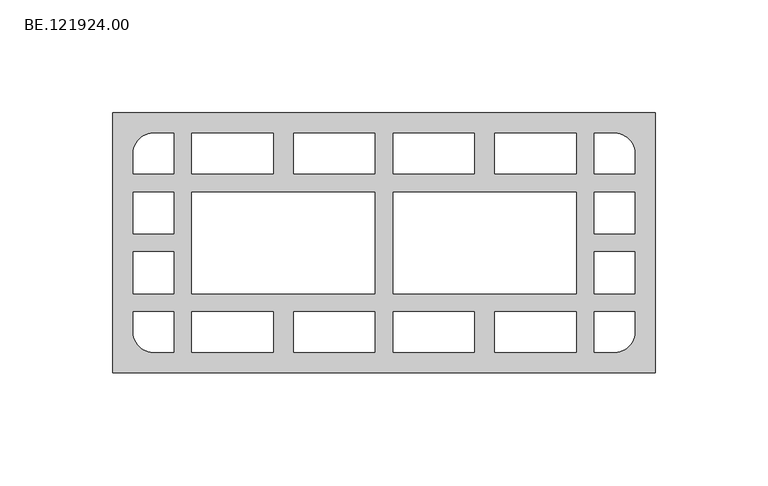
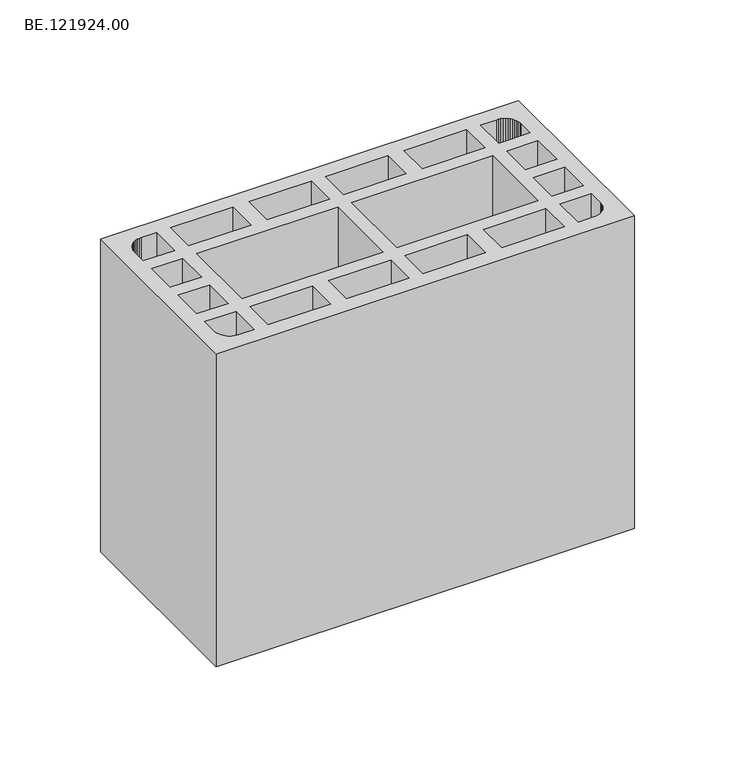
"""IFC4 building model written with IfcOpenShell, lengths in millimetres: proxy geometry, BE.121924.00."""

from ifc_helpers import new_model, si_unit, origin, origin_with_axes, place, context, project, spatial, polyline, outline, extrude, source, transform, mapped, element, save


def be_121924_00_26e25f5a(model_context):
    return source(origin(), model_context, "Body", "SweptSolid", [
        extrude(outline(polyline([(244.9853516, 57.5034668), (244.9853516, -57.5034668), (5.0, -57.5034668), (5.0, 57.5034668), (244.9853516, 57.5034668)]), holes=[polyline([(75.860791, 48.4993652), (39.9932129, 48.4993652), (39.9932129, 30.5097656), (75.860791, 30.5097656), (75.860791, 48.4993652)]), polyline([(120.9929199, 22.5009521), (39.9932129, 22.5009521), (39.9932129, -22.5009521), (120.9929199, -22.5009521), (120.9929199, 22.5009521)]), polyline([(75.860791, -48.4993652), (75.860791, -30.5004639), (39.9932129, -30.5004639), (39.9932129, -48.4993652), (75.860791, -48.4993652)]), polyline([(32.0020996, 22.5009521), (14.0125, 22.5009521), (14.0125, 3.9997559), (32.0020996, 3.9997559), (32.0020996, 22.5009521)]), polyline([(32.0020996, -22.5009521), (32.0020996, -3.9997559), (14.0125, -3.9997559), (14.0125, -22.5009521), (32.0020996, -22.5009521)]), polyline([(14.0041016, 30.5004639), (32.0030029, 30.5004639), (32.0030029, 48.4993652), (23.0082031, 48.4993652), (21.8268799, 48.4249512), (20.6734619, 48.1924072), (19.557251, 47.8203369), (18.5061523, 47.2994385), (17.5294678, 46.6390137), (16.636499, 45.8669678), (15.8644531, 44.9833008), (15.2133301, 43.9973145), (14.6924316, 42.9462158), (14.3110596, 41.8300049), (14.0785156, 40.6765869), (14.0041016, 39.5045654), (14.0041016, 30.5004639)]), polyline([(14.0041016, -30.5004639), (14.0041016, -39.5045654), (14.0785156, -40.6765869), (14.3110596, -41.8300049), (14.6924316, -42.9462158), (15.2133301, -43.9973145), (15.8644531, -44.9833008), (16.636499, -45.8669678), (17.5294678, -46.6390137), (18.5061523, -47.2994385), (19.557251, -47.8203369), (20.6734619, -48.1924072), (21.8268799, -48.4249512), (23.0082031, -48.4993652), (32.0030029, -48.4993652), (32.0030029, -30.5004639), (14.0041016, -30.5004639)]), polyline([(120.9929199, 48.5040161), (85.1253418, 48.5040161), (85.1253418, 30.495813), (120.9929199, 30.495813), (120.9929199, 48.5040161)]), polyline([(128.9924316, 30.495813), (164.8600098, 30.495813), (164.8600098, 48.5040161), (128.9924316, 48.5040161), (128.9924316, 30.495813)]), polyline([(209.9921387, 22.4963013), (128.9924316, 22.4963013), (128.9924316, -22.4963013), (209.9921387, -22.4963013), (209.9921387, 22.4963013)]), polyline([(120.9929199, -48.5040161), (120.9929199, -30.5051147), (85.1253418, -30.5051147), (85.1253418, -48.5040161), (120.9929199, -48.5040161)]), polyline([(164.8600098, -30.5051147), (128.9924316, -30.5051147), (128.9924316, -48.5040161), (164.8600098, -48.5040161), (164.8600098, -30.5051147)]), polyline([(209.9921387, -30.5051147), (174.1245605, -30.5051147), (174.1245605, -48.5040161), (209.9921387, -48.5040161), (209.9921387, -30.5051147)]), polyline([(174.1245605, 30.495813), (209.9921387, 30.495813), (209.9921387, 48.5040161), (174.1245605, 48.5040161), (174.1245605, 30.495813)]), polyline([(217.9916504, 30.495813), (235.9998535, 30.495813), (235.9998535, 39.4999146), (235.9068359, 40.671936), (235.6835938, 41.825354), (235.3115234, 42.9415649), (234.790625, 44.0019653), (234.139502, 44.9786499), (233.3581543, 45.8623169), (232.4651855, 46.6436646), (231.4978027, 47.2947876), (230.4374023, 47.815686), (229.3211914, 48.1970581), (228.1677734, 48.4203003), (226.995752, 48.5040161), (217.9916504, 48.5040161), (217.9916504, 30.495813)]), polyline([(235.9998535, 22.4963013), (217.9916504, 22.4963013), (217.9916504, 3.995105), (235.9998535, 3.995105), (235.9998535, 22.4963013)]), polyline([(235.9998535, -4.0044067), (217.9916504, -4.0044067), (217.9916504, -22.4963013), (235.9998535, -22.4963013), (235.9998535, -4.0044067)]), polyline([(235.9998535, -30.5051147), (217.9916504, -30.5051147), (217.9916504, -48.5040161), (226.995752, -48.5040161), (228.1677734, -48.4203003), (229.3211914, -48.1970581), (230.4374023, -47.815686), (231.4978027, -47.2947876), (232.4651855, -46.6436646), (233.3581543, -45.8623169), (234.139502, -44.9786499), (234.790625, -44.0019653), (235.3115234, -42.9415649), (235.6835938, -41.825354), (235.9068359, -40.671936), (235.9998535, -39.4999146), (235.9998535, -30.5051147)])]), origin_with_axes(), (0.0, 0.0, 1.0), 190.0),
    ])


if __name__ == "__main__":
    model = new_model("IFC4")
    model_context = context("Model", 3, world=origin())
    ifc_project = project(units=[si_unit("LENGTHUNIT", "METRE", prefix="MILLI")], contexts=[model_context])
    site = spatial("IfcSite", under=ifc_project)
    building = spatial("IfcBuilding", under=site)
    placement = place(None, origin())
    be_121924_00_shape = be_121924_00_26e25f5a(model_context)
    element("IfcBuildingElementProxy", 1, Name="BE.121924.00", ObjectType="BE.121924.00", at=placement, inside=building, context=model_context, shape_type="MappedRepresentation", body=[
        mapped(be_121924_00_shape, transform((0.0, 0.0, 0.0), x_axis=(1.0, 0.0, 0.0), y_axis=(0.0, 1.0, 0.0), z_axis=(0.0, 0.0, 1.0))),
    ])
    save(model, "model.ifc")
